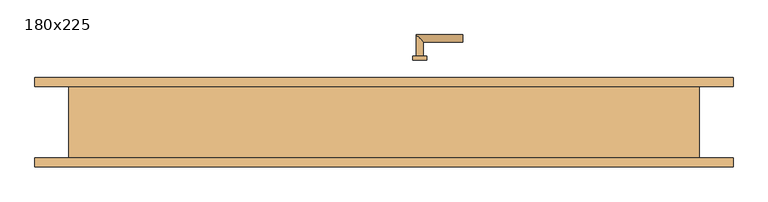
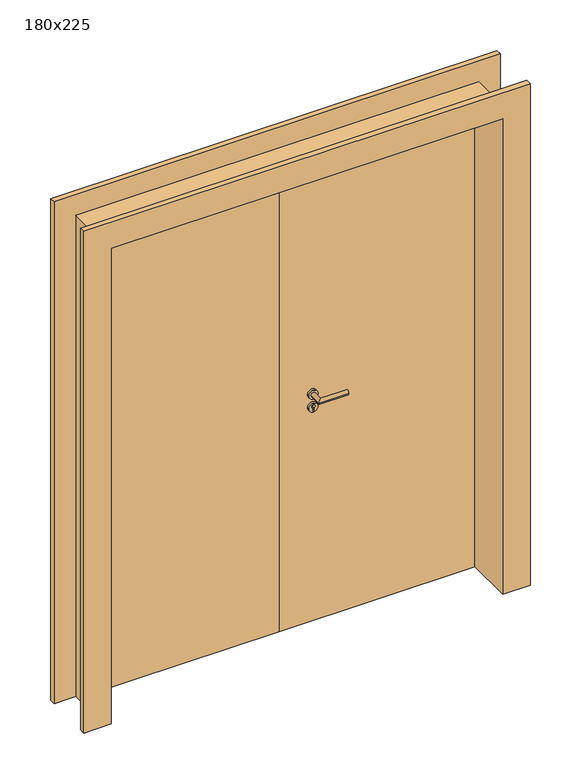
"""IFC4 building model written with IfcOpenShell, lengths in millimetres: door geometry, 180x225."""

from ifc_helpers import new_model, si_unit, point, frame, frame_2d, origin, place, context, project, spatial, polyline, circle_curve, ellipse_curve, trimmed, segment, composite_curve, outline, extrude, faceted_brep, source, transform, mapped, element, save
from ifc_brep_helpers import plane_surface, cylinder_surface, advanced_brep


def door_180x225_4162dc38(model_context):
    return source(origin(), model_context, "Body", "SolidModel", [
        extrude(outline(composite_curve([segment(trimmed(circle_curve(frame_2d((1060.0, 100.0)), 20.0), [point((1060.0, 120.0))], [point((1060.0, 80.0))], False, "CARTESIAN"), True, "CONTINUOUS"), segment(trimmed(circle_curve(frame_2d((1060.0, 100.0)), 20.0), [point((1060.0, 80.0))], [point((1060.0, 120.0))], False, "CARTESIAN"), True, "CONTINUOUS")], self_intersect=False), holes=[composite_curve([segment(polyline([(1046.4601385, 97.602732), (1058.4749012, 97.602732)]), True, "CONTINUOUS"), segment(trimmed(circle_curve(frame_2d((1065.0361633, 100.0)), 6.9854888), [point((1058.4749012, 97.602732))], [point((1058.4749012, 102.397268))], True, "CARTESIAN"), True, "CONTINUOUS"), segment(polyline([(1058.4749012, 102.397268), (1046.4601385, 102.397268)]), True, "CONTINUOUS"), segment(trimmed(circle_curve(frame_2d((1046.4601385, 100.0)), 2.397268), [point((1046.4601385, 102.397268))], [point((1046.4601385, 97.602732))], True, "CARTESIAN"), True, "CONTINUOUS")], self_intersect=False)]), frame((0.0, 0.0, 0.0), z_axis=(0.0, 1.0, 0.0), x_axis=(0.0, 0.0, 1.0)), (0.0, 0.0, 1.0), 10.0),
        advanced_brep(
        [(90.0, 0.0, 1120.0), (110.0, 0.0, 1120.0), (90.0, -60.0, 1120.0), (110.0, -40.0, 1120.0), (220.0, -60.0, 1120.0), (220.0, -40.0, 1120.0)],
        [
            (0, 1, circle_curve(frame((100.0, 0.0, 1120.0), z_axis=(0.0, 1.0, 0.0), x_axis=(1.0, 0.0, 0.0)), 10.0)),
            (1, 0, circle_curve(frame((100.0, 0.0, 1120.0), z_axis=(0.0, 1.0, 0.0), x_axis=(1.0, 0.0, 0.0)), 10.0)),
            (0, 2),
            (2, 3, ellipse_curve(frame((100.0, -50.0, 1120.0), z_axis=(-0.707106781186543, 0.7071067811865519, 0.0), x_axis=(0.7071067811865517, 0.7071067811865432, 0.0)), 14.1421356, 10.0)),
            (3, 1),
            (3, 2, ellipse_curve(frame((100.0, -50.0, 1120.0), z_axis=(-0.707106781186543, 0.7071067811865519, 0.0), x_axis=(0.7071067811865517, 0.7071067811865432, 0.0)), 14.1421356, 10.0)),
            (4, 5, circle_curve(frame((220.0, -50.0, 1120.0), z_axis=(1.0, 0.0, 0.0), x_axis=(0.0, 1.0, 0.0)), 10.0)),
            (5, 4, circle_curve(frame((220.0, -50.0, 1120.0), z_axis=(1.0, 0.0, 0.0), x_axis=(0.0, 1.0, 0.0)), 10.0)),
            (2, 4),
            (5, 3),
        ],
        [
            plane_surface(frame((100.0, 0.0, -80.0), z_axis=(0.0, 1.0, 0.0), x_axis=(0.0, 0.0, 1.0))),
            cylinder_surface(frame((100.0, 0.0, 1120.0), z_axis=(0.0, 1.0, 0.0), x_axis=(1.0, 0.0, 0.0)), 10.0),
            plane_surface(frame((220.0, -50.0, -80.0), z_axis=(1.0, 0.0, 0.0), x_axis=(0.0, 0.0, 1.0))),
            cylinder_surface(frame((100.0, -50.0, 1120.0), z_axis=(-1.0, 0.0, 0.0), x_axis=(0.0, 1.0, 0.0)), 10.0),
        ],
        [
            (0, [[1, 2]]),
            (1, [[-1, 3, 4, 5]]),
            (1, [[-2, -5, 6, -3]]),
            (2, [[7, 8]]),
            (3, [[-4, 9, -8, 10]]),
            (3, [[-6, -10, -7, -9]]),
        ],
    ),
        extrude(outline(composite_curve([segment(trimmed(circle_curve(frame_2d((1120.0, 100.0)), 20.0), [point((1120.0, 120.0))], [point((1120.0, 80.0))], False, "CARTESIAN"), True, "CONTINUOUS"), segment(trimmed(circle_curve(frame_2d((1120.0, 100.0)), 20.0), [point((1120.0, 80.0))], [point((1120.0, 120.0))], False, "CARTESIAN"), True, "CONTINUOUS")], self_intersect=False)), frame((0.0, 0.0, 0.0), z_axis=(0.0, 1.0, 0.0), x_axis=(0.0, 0.0, 1.0)), (0.0, 0.0, 1.0), 10.0),
        extrude(outline(composite_curve([segment(trimmed(circle_curve(frame_2d((1070.0, 100.0)), 20.0), [point((1070.0, 120.0))], [point((1070.0, 80.0))], False, "CARTESIAN"), True, "CONTINUOUS"), segment(trimmed(circle_curve(frame_2d((1070.0, 100.0)), 20.0), [point((1070.0, 80.0))], [point((1070.0, 120.0))], False, "CARTESIAN"), True, "CONTINUOUS")], self_intersect=False), holes=[composite_curve([segment(polyline([(1056.4601385, 97.602732), (1068.4749012, 97.602732)]), True, "CONTINUOUS"), segment(trimmed(circle_curve(frame_2d((1075.0361633, 100.0)), 6.9854888), [point((1068.4749012, 97.602732))], [point((1068.4749012, 102.397268))], True, "CARTESIAN"), True, "CONTINUOUS"), segment(polyline([(1068.4749012, 102.397268), (1056.4601385, 102.397268)]), True, "CONTINUOUS"), segment(trimmed(circle_curve(frame_2d((1056.4601385, 100.0)), 2.397268), [point((1056.4601385, 102.397268))], [point((1056.4601385, 97.602732))], True, "CARTESIAN"), True, "CONTINUOUS")], self_intersect=False)]), frame((0.0, 175.0, 0.0), z_axis=(0.0, 1.0, 0.0), x_axis=(0.0, 0.0, 1.0)), (0.0, 0.0, 1.0), 10.0),
        advanced_brep(
        [(90.0, 185.0, 1130.0), (110.0, 185.0, 1130.0), (110.0, 225.0, 1130.0), (90.0, 245.0, 1130.0), (220.0, 245.0, 1130.0), (220.0, 225.0, 1130.0)],
        [
            (0, 1, circle_curve(frame((100.0, 185.0, 1130.0), z_axis=(0.0, -1.0, 0.0), x_axis=(1.0, 0.0, 0.0)), 10.0)),
            (1, 0, circle_curve(frame((100.0, 185.0, 1130.0), z_axis=(0.0, -1.0, 0.0), x_axis=(1.0, 0.0, 0.0)), 10.0)),
            (1, 2),
            (2, 3, ellipse_curve(frame((100.0, 235.0, 1130.0), z_axis=(-0.707106781186543, -0.7071067811865519, 0.0), x_axis=(0.7071067811865517, -0.7071067811865432, 0.0)), 14.1421356, 10.0)),
            (3, 0),
            (3, 2, ellipse_curve(frame((100.0, 235.0, 1130.0), z_axis=(-0.707106781186543, -0.7071067811865519, 0.0), x_axis=(0.7071067811865517, -0.7071067811865432, 0.0)), 14.1421356, 10.0)),
            (4, 5, circle_curve(frame((220.0, 235.0, 1130.0), z_axis=(1.0, 0.0, 0.0), x_axis=(0.0, -1.0, 0.0)), 10.0)),
            (5, 4, circle_curve(frame((220.0, 235.0, 1130.0), z_axis=(1.0, 0.0, 0.0), x_axis=(0.0, -1.0, 0.0)), 10.0)),
            (2, 5),
            (4, 3),
        ],
        [
            plane_surface(frame((100.0, 185.0, -70.0), z_axis=(0.0, -1.0, 0.0), x_axis=(0.0, 0.0, 1.0))),
            cylinder_surface(frame((100.0, 185.0, 1130.0), z_axis=(0.0, -1.0, 0.0), x_axis=(1.0, 0.0, 0.0)), 10.0),
            plane_surface(frame((220.0, 235.0, -70.0), z_axis=(1.0, 0.0, 0.0), x_axis=(0.0, 0.0, 1.0))),
            cylinder_surface(frame((100.0, 235.0, 1130.0), z_axis=(-1.0, 0.0, 0.0), x_axis=(0.0, -1.0, 0.0)), 10.0),
        ],
        [
            (0, [[1, 2]]),
            (1, [[3, 4, 5, -2]]),
            (1, [[-5, 6, -3, -1]]),
            (2, [[7, 8]]),
            (3, [[9, -7, 10, -4]]),
            (3, [[-10, -8, -9, -6]]),
        ],
    ),
        extrude(outline(composite_curve([segment(trimmed(circle_curve(frame_2d((1130.0, 100.0)), 20.0), [point((1130.0, 120.0))], [point((1130.0, 80.0))], False, "CARTESIAN"), True, "CONTINUOUS"), segment(trimmed(circle_curve(frame_2d((1130.0, 100.0)), 20.0), [point((1130.0, 80.0))], [point((1130.0, 120.0))], False, "CARTESIAN"), True, "CONTINUOUS")], self_intersect=False)), frame((0.0, 175.0, 0.0), z_axis=(0.0, 1.0, 0.0), x_axis=(0.0, 0.0, 1.0)), (0.0, 0.0, 1.0), 10.0),
        faceted_brep([(-975.0, -125.0, 2325.0), (-975.0, -125.0, 10.0), (-855.0, -125.0, 10.0), (-855.0, -125.0, 2205.0), (855.0, -125.0, 2205.0), (855.0, -125.0, 10.0), (975.0, -125.0, 10.0), (975.0, -125.0, 2325.0), (-975.0, -100.0, 2325.0), (975.0, -100.0, 2325.0), (975.0, -100.0, 10.0), (880.0, -100.0, 10.0), (880.0, -100.0, 2230.0), (-880.0, -100.0, 2230.0), (-880.0, -100.0, 10.0), (-975.0, -100.0, 10.0), (-880.0, 100.0, 10.0), (-855.0, 100.0, 10.0), (855.0, 100.0, 10.0), (880.0, 100.0, 10.0), (-855.0, 100.0, 2205.0), (855.0, 100.0, 2205.0), (-880.0, 100.0, 2230.0), (880.0, 100.0, 2230.0)], [[[0, 1, 2, 3, 4, 5, 6, 7]], [[8, 9, 10, 11, 12, 13, 14, 15]], [[1, 0, 8, 15]], [[2, 1, 15, 14, 16, 17]], [[6, 5, 18, 19, 11, 10]], [[20, 3, 2, 17]], [[4, 3, 20, 21]], [[5, 4, 21, 18]], [[7, 6, 10, 9]], [[0, 7, 9, 8]], [[17, 16, 22, 23, 19, 18, 21, 20]], [[22, 16, 14, 13]], [[11, 19, 23, 12]], [[12, 23, 22, 13]]]),
        extrude(outline(polyline([(0.0, 85.1756171), (-855.0, 85.1756171), (-855.0, 125.0), (0.0, 125.0), (0.0, 85.1756171)])), frame((0.0, 0.0, 10.0), z_axis=(0.0, 0.0, 1.0), x_axis=(1.0, 0.0, 0.0)), (0.0, 0.0, 1.0), 2195.0),
        extrude(outline(polyline([(855.0, 85.1756171), (0.0, 85.1756171), (0.0, 125.0), (855.0, 125.0), (855.0, 85.1756171)])), frame((0.0, 0.0, 10.0), z_axis=(0.0, 0.0, 1.0), x_axis=(1.0, 0.0, 0.0)), (0.0, 0.0, 1.0), 2195.0),
        extrude(outline(polyline([(2205.0, -855.0), (2205.0, 855.0), (10.0, 855.0), (10.0, 975.0), (2325.0, 975.0), (2325.0, -975.0), (10.0, -975.0), (10.0, -855.0), (2205.0, -855.0)])), frame((0.0, 100.0, 0.0), z_axis=(0.0, 1.0, 0.0), x_axis=(0.0, 0.0, 1.0)), (0.0, 0.0, 1.0), 25.0),
    ])


if __name__ == "__main__":
    model = new_model("IFC4")
    model_context = context("Model", 3, world=origin())
    ifc_project = project(units=[si_unit("LENGTHUNIT", "METRE", prefix="MILLI")], contexts=[model_context])
    site = spatial("IfcSite", under=ifc_project)
    building = spatial("IfcBuilding", under=site)
    placement = place(None, origin())
    door_180x225_shape = door_180x225_4162dc38(model_context)
    element("IfcDoor", 1, ObjectType="180x225", at=placement, inside=building, context=model_context, shape_type="MappedRepresentation", body=[
        mapped(door_180x225_shape, transform((0.0, 0.0, 0.0), x_axis=(1.0, 0.0, 0.0), y_axis=(0.0, 1.0, 0.0), z_axis=(0.0, 0.0, 1.0))),
    ])
    save(model, "model.ifc")
